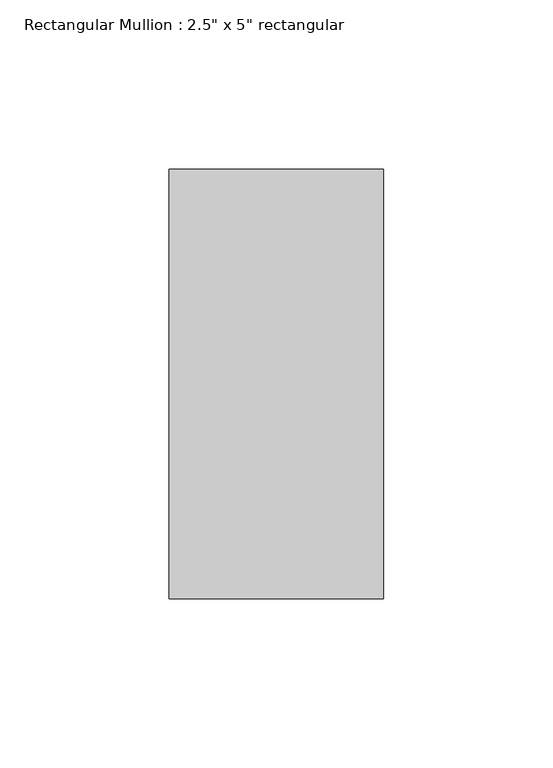
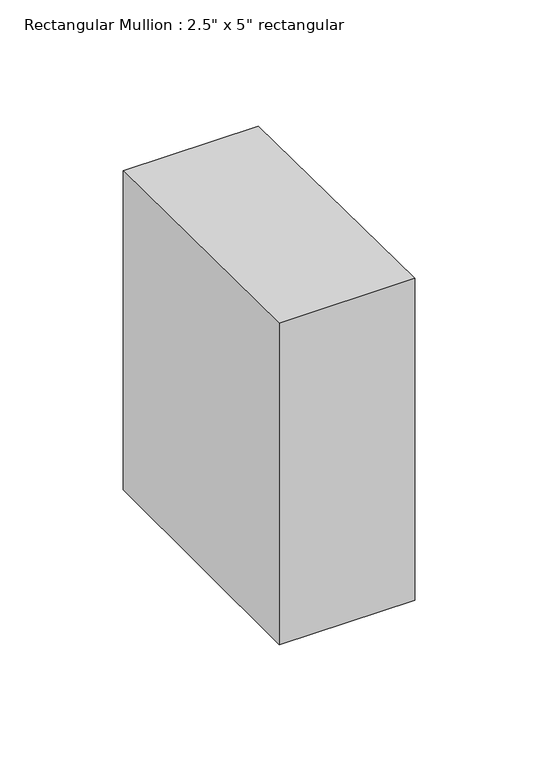
"""IFC4 building model written with IfcOpenShell, lengths in millimetres: member geometry."""

from ifc_helpers import new_model, si_unit, origin, place, context, project, spatial, faceted_brep, source, transform, mapped, element, save


def member_f96833f3(model_context):
    return source(origin(), model_context, "Body", "Brep", [
        faceted_brep([(-63.5, 63.5, -0.6839125), (0.0, 63.5, -0.736277), (0.0, 63.5, -158.8269146), (-63.5, 63.5, -158.8006314), (-63.5, -63.5, 0.7886415), (-63.5, -63.5, -158.8006314), (0.0, -63.5, 0.736277), (0.0, -63.5, -158.8269146)], [[[0, 1, 2, 3]], [[4, 0, 3, 5]], [[6, 4, 5, 7]], [[1, 6, 7, 2]], [[1, 0, 4, 6]], [[2, 7, 5, 3]]]),
    ])


if __name__ == "__main__":
    model = new_model("IFC4")
    model_context = context("Model", 3, world=origin())
    ifc_project = project(units=[si_unit("LENGTHUNIT", "METRE", prefix="MILLI")], contexts=[model_context])
    site = spatial("IfcSite", under=ifc_project)
    building = spatial("IfcBuilding", under=site)
    placement = place(None, origin())
    member_shape = member_f96833f3(model_context)
    element("IfcMember", 1, ObjectType="Rectangular Mullion : 2.5\" x 5\" rectangular", at=placement, inside=building, context=model_context, shape_type="MappedRepresentation", body=[
        mapped(member_shape, transform((0.0, 0.0, 0.0), x_axis=(1.0, 0.0, 0.0), y_axis=(0.0, 1.0, 0.0), z_axis=(0.0, 0.0, 1.0))),
    ])
    save(model, "model.ifc")
